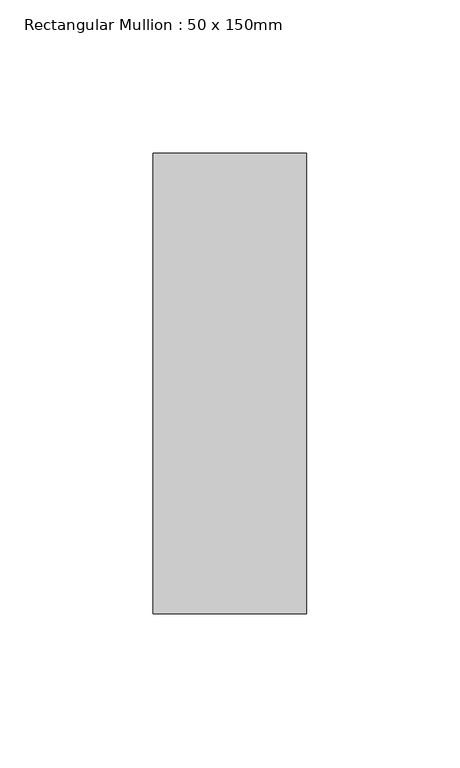
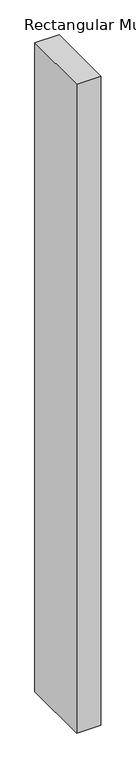
"""IFC4 building model written with IfcOpenShell, lengths in millimetres: member geometry, Rectangular Mullion : 50 x 150mm."""

from ifc_helpers import new_model, si_unit, frame, origin, place, context, project, spatial, polyline, outline, extrude, source, transform, mapped, element, save


def rectangular_mullion_50_x_150mm_91c7e729(model_context):
    return source(origin(), model_context, "Body", "SweptSolid", [
        extrude(outline(polyline([(0.0, 75.0), (0.0, -75.0), (-50.0, -75.0), (-50.0, 75.0), (0.0, 75.0)])), frame((0.0, 0.0, -1423.3381193), z_axis=(0.0, 0.0, 1.0), x_axis=(1.0, 0.0, 0.0)), (0.0, 0.0, 1.0), 1423.3381193),
    ])


if __name__ == "__main__":
    model = new_model("IFC4")
    model_context = context("Model", 3, world=origin())
    ifc_project = project(units=[si_unit("LENGTHUNIT", "METRE", prefix="MILLI")], contexts=[model_context])
    site = spatial("IfcSite", under=ifc_project)
    building = spatial("IfcBuilding", under=site)
    placement = place(None, origin())
    rectangular_mullion_50_x_150mm_shape = rectangular_mullion_50_x_150mm_91c7e729(model_context)
    element("IfcMember", 1, ObjectType="Rectangular Mullion : 50 x 150mm", at=placement, inside=building, context=model_context, shape_type="MappedRepresentation", body=[
        mapped(rectangular_mullion_50_x_150mm_shape, transform((0.0, 0.0, 0.0), x_axis=(1.0, 0.0, 0.0), y_axis=(0.0, 1.0, 0.0), z_axis=(0.0, 0.0, 1.0))),
    ])
    save(model, "model.ifc")
